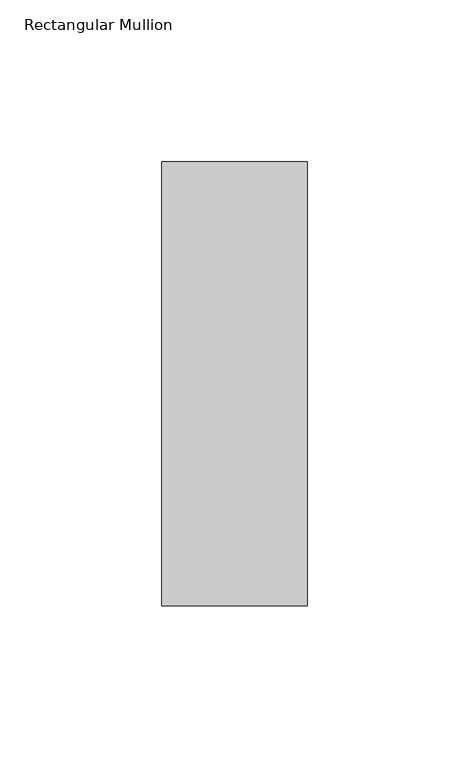
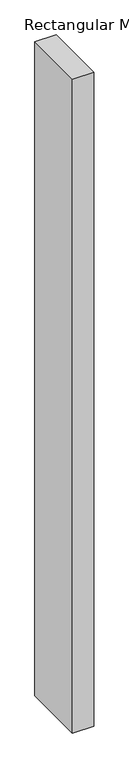
"""IFC4 building model written with IfcOpenShell, lengths in millimetres: member geometry, Rectangular Mullion."""

from ifc_helpers import new_model, si_unit, frame, origin, place, context, project, spatial, polyline, outline, extrude, source, transform, mapped, element, save


def rectangular_mullion_e9196817(model_context):
    return source(origin(), model_context, "Body", "SweptSolid", [
        extrude(outline(polyline([(-45.0, 84.19375), (0.0, 84.19375), (0.0, -53.19375), (-45.0, -53.19375), (-45.0, 84.19375)])), frame((0.0, 0.0, -1461.5642788), z_axis=(0.0, 0.0, 1.0), x_axis=(1.0, 0.0, 0.0)), (0.0, 0.0, 1.0), 1461.5642788),
    ])


if __name__ == "__main__":
    model = new_model("IFC4")
    model_context = context("Model", 3, world=origin())
    ifc_project = project(units=[si_unit("LENGTHUNIT", "METRE", prefix="MILLI")], contexts=[model_context])
    site = spatial("IfcSite", under=ifc_project)
    building = spatial("IfcBuilding", under=site)
    placement = place(None, origin())
    rectangular_mullion_shape = rectangular_mullion_e9196817(model_context)
    element("IfcMember", 1, ObjectType="Rectangular Mullion", at=placement, inside=building, context=model_context, shape_type="MappedRepresentation", body=[
        mapped(rectangular_mullion_shape, transform((0.0, 0.0, 0.0), x_axis=(1.0, 0.0, 0.0), y_axis=(0.0, 1.0, 0.0), z_axis=(0.0, 0.0, 1.0))),
    ])
    save(model, "model.ifc")
